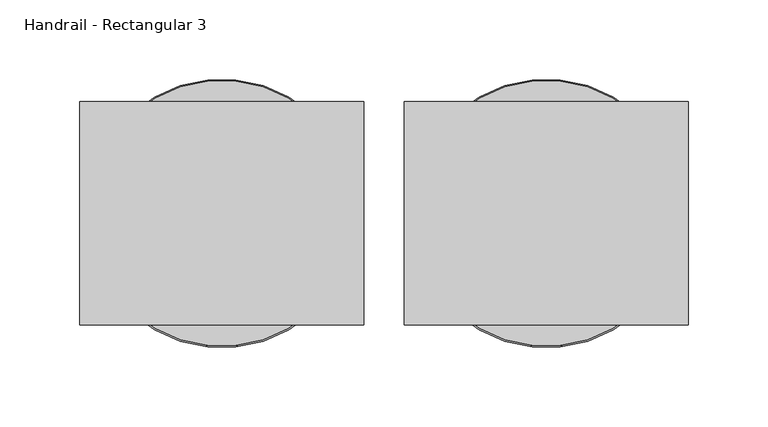
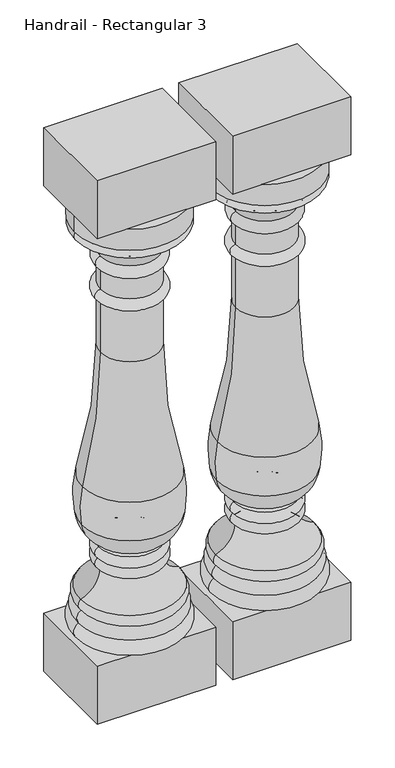
"""IFC4 building model written with IfcOpenShell, lengths in millimetres: railing geometry, Handrail - Rectangular 3."""

from ifc_helpers import new_model, si_unit, point, frame, origin, place, context, project, spatial, polyline, circle_curve, ellipse_curve, trimmed, outline, extrude, source, transform, mapped, element, save
from ifc_brep_helpers import plane_surface, cylinder_surface, revolved_surface, advanced_brep


def handrail_rectangular_3_db73cd59(model_context):
    return source(origin(), model_context, "Body", "SolidModel", [
        advanced_brep(
        [(7713.8128537, 2142.9239298, 849.3125), (7880.5003537, 2142.9239298, 849.3125), (7880.5003537, 2142.9239298, 882.65), (7713.8128537, 2142.9239298, 882.65), (7716.9878537, 2142.9239298, 849.3125), (7877.3253537, 2142.9239298, 849.3125), (7716.9878537, 2142.9239298, 835.025), (7877.3253537, 2142.9239298, 835.025), (7753.5003537, 2142.9239298, 796.925), (7840.8128537, 2142.9239298, 796.925), (7753.5003537, 2142.9239298, 777.875), (7840.8128537, 2142.9239298, 777.875), (7753.5003537, 2142.9239298, 744.5375), (7840.8128537, 2142.9239298, 744.5375), (7753.5003537, 2142.9239298, 727.075), (7840.8128537, 2142.9239298, 727.075), (7753.5003537, 2142.9239298, 644.525), (7840.8128537, 2142.9239298, 644.525), (7726.3118362, 2142.9239298, 440.2065586), (7868.0013712, 2142.9239298, 440.2065586), (7725.1214802, 2142.9239298, 379.6643134), (7869.1917272, 2142.9239298, 379.6643134), (7752.3325388, 2142.9239298, 340.8286685), (7841.9806687, 2142.9239298, 340.8286685), (7750.607257, 2142.9239298, 336.3463085), (7843.7059504, 2142.9239298, 336.3463085), (7749.5316037, 2142.9239298, 319.0875), (7844.7816037, 2142.9239298, 319.0875), (7752.7066037, 2142.9239298, 301.625), (7841.6066037, 2142.9239298, 301.625), (7723.3378537, 2142.9239298, 261.9375), (7870.9753537, 2142.9239298, 261.9375), (7724.1316037, 2142.9239298, 244.475), (7870.1816037, 2142.9239298, 244.475), (7720.1628537, 2142.9239298, 225.425), (7874.1503537, 2142.9239298, 225.425), (7716.9878537, 2142.9239298, 203.2), (7877.3253537, 2142.9239298, 203.2), (7797.1566037, 2142.9239298, 203.2), (7797.1566037, 2142.9239298, 882.65)],
        [
            (0, 1, circle_curve(frame((7797.1566037, 2142.9239298, 849.3125), z_axis=(0.0, 0.0, 1.0), x_axis=(1.0, 0.0, 0.0)), 83.34375)),
            (1, 2),
            (2, 3, circle_curve(frame((7797.1566037, 2142.9239298, 882.65), z_axis=(0.0, 0.0, -1.0), x_axis=(1.0, 0.0, 0.0)), 83.34375)),
            (3, 0),
            (1, 0, circle_curve(frame((7797.1566037, 2142.9239298, 849.3125), z_axis=(0.0, 0.0, 1.0), x_axis=(1.0, 0.0, 0.0)), 83.34375)),
            (3, 2, circle_curve(frame((7797.1566037, 2142.9239298, 882.65), z_axis=(0.0, 0.0, -1.0), x_axis=(1.0, 0.0, 0.0)), 83.34375)),
            (4, 5, circle_curve(frame((7797.1566037, 2142.9239298, 849.3125), z_axis=(0.0, 0.0, 1.0), x_axis=(1.0, 0.0, 0.0)), 80.16875)),
            (5, 1),
            (0, 4),
            (5, 4, circle_curve(frame((7797.1566037, 2142.9239298, 849.3125), z_axis=(0.0, 0.0, 1.0), x_axis=(1.0, 0.0, 0.0)), 80.16875)),
            (6, 7, circle_curve(frame((7797.1566037, 2142.9239298, 835.025), z_axis=(0.0, 0.0, 1.0), x_axis=(1.0, 0.0, 0.0)), 80.16875)),
            (7, 5, circle_curve(frame((7870.876135, 2142.9239298, 842.16875), z_axis=(0.0, -1.0, 0.0), x_axis=(1.0, 0.0, 0.0)), 9.6242187)),
            (4, 6, circle_curve(frame((7723.4370725, 2142.9239298, 842.16875), z_axis=(0.0, -1.0, 0.0), x_axis=(-1.0, 0.0, 0.0)), 9.6242187)),
            (7, 6, circle_curve(frame((7797.1566037, 2142.9239298, 835.025), z_axis=(0.0, 0.0, 1.0), x_axis=(1.0, 0.0, 0.0)), 80.16875)),
            (8, 9, circle_curve(frame((7797.1566037, 2142.9239298, 796.925), z_axis=(0.0, 0.0, 1.0), x_axis=(1.0, 0.0, 0.0)), 43.65625)),
            (9, 7, circle_curve(frame((7896.2296582, 2142.9239298, 780.362802), z_axis=(0.0, 1.0, 0.0), x_axis=(1.0, 0.0, 0.0)), 57.8388159)),
            (6, 8, circle_curve(frame((7698.0835492, 2142.9239298, 780.362802), z_axis=(0.0, 1.0, 0.0), x_axis=(-1.0, 0.0, 0.0)), 57.8388159)),
            (9, 8, circle_curve(frame((7797.1566037, 2142.9239298, 796.925), z_axis=(0.0, 0.0, 1.0), x_axis=(1.0, 0.0, 0.0)), 43.65625)),
            (10, 11, circle_curve(frame((7797.1566037, 2142.9239298, 777.875), z_axis=(0.0, 0.0, 1.0), x_axis=(1.0, 0.0, 0.0)), 43.65625)),
            (11, 9, circle_curve(frame((7839.0666037, 2142.9239298, 787.4), z_axis=(0.0, -1.0, 0.0), x_axis=(1.0, 0.0, 0.0)), 9.68375)),
            (8, 10, circle_curve(frame((7755.2466037, 2142.9239298, 787.4), z_axis=(0.0, -1.0, 0.0), x_axis=(-1.0, 0.0, 0.0)), 9.68375)),
            (11, 10, circle_curve(frame((7797.1566037, 2142.9239298, 777.875), z_axis=(0.0, 0.0, 1.0), x_axis=(1.0, 0.0, 0.0)), 43.65625)),
            (12, 13, circle_curve(frame((7797.1566037, 2142.9239298, 744.5375), z_axis=(0.0, 0.0, 1.0), x_axis=(1.0, 0.0, 0.0)), 43.65625)),
            (13, 11),
            (10, 12),
            (13, 12, circle_curve(frame((7797.1566037, 2142.9239298, 744.5375), z_axis=(0.0, 0.0, 1.0), x_axis=(1.0, 0.0, 0.0)), 43.65625)),
            (14, 15, circle_curve(frame((7797.1566037, 2142.9239298, 727.075), z_axis=(0.0, 0.0, 1.0), x_axis=(1.0, 0.0, 0.0)), 43.65625)),
            (15, 13, circle_curve(frame((7840.8128537, 2142.9239298, 735.80625), z_axis=(0.0, -1.0, 0.0), x_axis=(1.0, 0.0, 0.0)), 8.73125)),
            (12, 14, circle_curve(frame((7753.5003537, 2142.9239298, 735.80625), z_axis=(0.0, -1.0, 0.0), x_axis=(-1.0, 0.0, 0.0)), 8.73125)),
            (15, 14, circle_curve(frame((7797.1566037, 2142.9239298, 727.075), z_axis=(0.0, 0.0, 1.0), x_axis=(1.0, 0.0, 0.0)), 43.65625)),
            (16, 17, circle_curve(frame((7797.1566037, 2142.9239298, 644.525), z_axis=(0.0, 0.0, 1.0), x_axis=(1.0, 0.0, 0.0)), 43.65625)),
            (17, 15),
            (14, 16),
            (17, 16, circle_curve(frame((7797.1566037, 2142.9239298, 644.525), z_axis=(0.0, 0.0, 1.0), x_axis=(1.0, 0.0, 0.0)), 43.65625)),
            (18, 19, circle_curve(frame((7797.1566037, 2142.9239298, 440.2065586), z_axis=(0.0, 0.0, 1.0), x_axis=(1.0, 0.0, 0.0)), 70.8447675)),
            (19, 17, circle_curve(frame((8575.5896033, 2142.9239298, 638.333048), z_axis=(0.0, 1.0, 0.0), x_axis=(1.0, 0.0, 0.0)), 734.8028389)),
            (16, 18, circle_curve(frame((7018.7236041, 2142.9239298, 638.333048), z_axis=(0.0, 1.0, 0.0), x_axis=(-1.0, 0.0, 0.0)), 734.8028389)),
            (19, 18, circle_curve(frame((7797.1566037, 2142.9239298, 440.2065586), z_axis=(0.0, 0.0, 1.0), x_axis=(1.0, 0.0, 0.0)), 70.8447675)),
            (20, 21, circle_curve(frame((7797.1566037, 2142.9239298, 379.6643134), z_axis=(0.0, 0.0, 1.0), x_axis=(1.0, 0.0, 0.0)), 72.0351235)),
            (21, 19, circle_curve(frame((7710.1027491, 2142.9239298, 406.819198), z_axis=(0.0, -1.0, 0.0), x_axis=(1.0, 0.0, 0.0)), 161.3898718)),
            (18, 20, circle_curve(frame((7884.2104584, 2142.9239298, 406.819198), z_axis=(0.0, -1.0, 0.0), x_axis=(-1.0, 0.0, 0.0)), 161.3898718)),
            (21, 20, circle_curve(frame((7797.1566037, 2142.9239298, 379.6643134), z_axis=(0.0, 0.0, 1.0), x_axis=(1.0, 0.0, 0.0)), 72.0351235)),
            (22, 23, circle_curve(frame((7797.1566037, 2142.9239298, 340.8286685), z_axis=(0.0, 0.0, 1.0), x_axis=(1.0, 0.0, 0.0)), 44.8240649)),
            (23, 21, circle_curve(frame((7819.4617054, 2142.9239298, 385.5579203), z_axis=(0.0, -1.0, 0.0), x_axis=(1.0, 0.0, 0.0)), 50.0780358)),
            (20, 22, circle_curve(frame((7774.851502, 2142.9239298, 385.5579203), z_axis=(0.0, -1.0, 0.0), x_axis=(-1.0, 0.0, 0.0)), 50.0780358)),
            (23, 22, circle_curve(frame((7797.1566037, 2142.9239298, 340.8286685), z_axis=(0.0, 0.0, 1.0), x_axis=(1.0, 0.0, 0.0)), 44.8240649)),
            (24, 25, circle_curve(frame((7797.1566037, 2142.9239298, 336.3463085), z_axis=(0.0, 0.0, 1.0), x_axis=(1.0, 0.0, 0.0)), 46.5493467)),
            (25, 23, circle_curve(frame((7844.7816037, 2142.9239298, 339.3335472), z_axis=(0.0, 1.0, 0.0), x_axis=(1.0, 0.0, 0.0)), 3.175)),
            (22, 24, circle_curve(frame((7749.5316037, 2142.9239298, 339.3335472), z_axis=(0.0, 1.0, 0.0), x_axis=(-1.0, 0.0, 0.0)), 3.175)),
            (25, 24, circle_curve(frame((7797.1566037, 2142.9239298, 336.3463085), z_axis=(0.0, 0.0, 1.0), x_axis=(1.0, 0.0, 0.0)), 46.5493467)),
            (26, 27, circle_curve(frame((7797.1566037, 2142.9239298, 319.0875), z_axis=(0.0, 0.0, 1.0), x_axis=(1.0, 0.0, 0.0)), 47.625)),
            (27, 25, circle_curve(frame((7839.705239, 2142.9239298, 327.4340404), z_axis=(0.0, -1.0, 0.0), x_axis=(1.0, 0.0, 0.0)), 9.7690437)),
            (24, 26, circle_curve(frame((7754.6079685, 2142.9239298, 327.4340404), z_axis=(0.0, -1.0, 0.0), x_axis=(-1.0, 0.0, 0.0)), 9.7690437)),
            (27, 26, circle_curve(frame((7797.1566037, 2142.9239298, 319.0875), z_axis=(0.0, 0.0, 1.0), x_axis=(1.0, 0.0, 0.0)), 47.625)),
            (28, 29, circle_curve(frame((7797.1566037, 2142.9239298, 301.625), z_axis=(0.0, 0.0, 1.0), x_axis=(1.0, 0.0, 0.0)), 44.45)),
            (29, 27, circle_curve(frame((7840.1679318, 2142.9239298, 310.9064631), z_axis=(0.0, -1.0, 0.0), x_axis=(1.0, 0.0, 0.0)), 9.3923018)),
            (26, 28, circle_curve(frame((7754.1452756, 2142.9239298, 310.9064631), z_axis=(0.0, -1.0, 0.0), x_axis=(-1.0, 0.0, 0.0)), 9.3923018)),
            (29, 28, circle_curve(frame((7797.1566037, 2142.9239298, 301.625), z_axis=(0.0, 0.0, 1.0), x_axis=(1.0, 0.0, 0.0)), 44.45)),
            (30, 31, circle_curve(frame((7797.1566037, 2142.9239298, 261.9375), z_axis=(0.0, 0.0, 1.0), x_axis=(1.0, 0.0, 0.0)), 73.81875)),
            (31, 29, circle_curve(frame((7883.1068571, 2142.9239298, 301.625), z_axis=(0.0, 1.0, 0.0), x_axis=(1.0, 0.0, 0.0)), 41.5002534)),
            (28, 30, circle_curve(frame((7711.2063503, 2142.9239298, 301.625), z_axis=(0.0, 1.0, 0.0), x_axis=(-1.0, 0.0, 0.0)), 41.5002534)),
            (31, 30, circle_curve(frame((7797.1566037, 2142.9239298, 261.9375), z_axis=(0.0, 0.0, 1.0), x_axis=(1.0, 0.0, 0.0)), 73.81875)),
            (32, 33, circle_curve(frame((7797.1566037, 2142.9239298, 244.475), z_axis=(0.0, 0.0, 1.0), x_axis=(1.0, 0.0, 0.0)), 73.025)),
            (33, 31, circle_curve(frame((7861.6708398, 2142.9239298, 253.6111427), z_axis=(0.0, -1.0, 0.0), x_axis=(1.0, 0.0, 0.0)), 12.4860804)),
            (30, 32, circle_curve(frame((7732.6423676, 2142.9239298, 253.6111427), z_axis=(0.0, -1.0, 0.0), x_axis=(-1.0, 0.0, 0.0)), 12.4860804)),
            (33, 32, circle_curve(frame((7797.1566037, 2142.9239298, 244.475), z_axis=(0.0, 0.0, 1.0), x_axis=(1.0, 0.0, 0.0)), 73.025)),
            (34, 35, circle_curve(frame((7797.1566037, 2142.9239298, 225.425), z_axis=(0.0, 0.0, 1.0), x_axis=(1.0, 0.0, 0.0)), 76.99375)),
            (35, 33, circle_curve(frame((7863.5068878, 2142.9239298, 233.1460227), z_axis=(0.0, -1.0, 0.0), x_axis=(1.0, 0.0, 0.0)), 13.1490516)),
            (32, 34, circle_curve(frame((7730.8063196, 2142.9239298, 233.1460227), z_axis=(0.0, -1.0, 0.0), x_axis=(-1.0, 0.0, 0.0)), 13.1490516)),
            (35, 34, circle_curve(frame((7797.1566037, 2142.9239298, 225.425), z_axis=(0.0, 0.0, 1.0), x_axis=(1.0, 0.0, 0.0)), 76.99375)),
            (36, 37, circle_curve(frame((7797.1566037, 2142.9239298, 203.2), z_axis=(0.0, 0.0, 1.0), x_axis=(1.0, 0.0, 0.0)), 80.16875)),
            (37, 35, circle_curve(frame((7867.176693, 2142.9239298, 213.089477), z_axis=(0.0, -1.0, 0.0), x_axis=(1.0, 0.0, 0.0)), 14.1702883)),
            (34, 36, circle_curve(frame((7727.1365144, 2142.9239298, 213.089477), z_axis=(0.0, -1.0, 0.0), x_axis=(-1.0, 0.0, 0.0)), 14.1702883)),
            (37, 36, circle_curve(frame((7797.1566037, 2142.9239298, 203.2), z_axis=(0.0, 0.0, 1.0), x_axis=(1.0, 0.0, 0.0)), 80.16875)),
            (38, 37),
            (36, 38),
            (2, 39),
            (39, 3),
        ],
        [
            cylinder_surface(frame((7797.1566037, 2142.9239298, 831.85), z_axis=(0.0, 0.0, -1.0), x_axis=(1.0, 0.0, 0.0)), 83.34375),
            plane_surface(frame((7797.1566037, 2142.9239298, 849.3125), z_axis=(0.0, 0.0, -1.0), x_axis=(1.0, 0.0, 0.0))),
            revolved_surface(trimmed(ellipse_curve(frame((7870.876135, 2142.9239298, 842.16875), z_axis=(0.0, 1.0, 0.0), x_axis=(1.0, 0.0, 0.0)), 9.6242187, 9.6242187), [point((7877.3253537, 2142.9239298, 849.3125))], [point((7877.3253537, 2142.9239298, 835.025))], True, "CARTESIAN"), (7797.1566037, 2142.9239298, 831.85), (0.0, 0.0, -1.0)),
            revolved_surface(trimmed(ellipse_curve(frame((7896.2296582, 2142.9239298, 780.362802), z_axis=(0.0, -1.0, 0.0), x_axis=(1.0, 0.0, 0.0)), 57.8388159, 57.8388159), [point((7877.3253537, 2142.9239298, 835.025))], [point((7840.8128537, 2142.9239298, 796.925))], True, "CARTESIAN"), (7797.1566037, 2142.9239298, 831.85), (0.0, 0.0, -1.0)),
            revolved_surface(trimmed(ellipse_curve(frame((7839.0666037, 2142.9239298, 787.4), z_axis=(0.0, 1.0, 0.0), x_axis=(1.0, 0.0, 0.0)), 9.68375, 9.68375), [point((7840.8128537, 2142.9239298, 796.925))], [point((7840.8128537, 2142.9239298, 777.875))], True, "CARTESIAN"), (7797.1566037, 2142.9239298, 831.85), (0.0, 0.0, -1.0)),
            cylinder_surface(frame((7797.1566037, 2142.9239298, 831.85), z_axis=(0.0, 0.0, -1.0), x_axis=(1.0, 0.0, 0.0)), 43.65625),
            revolved_surface(trimmed(ellipse_curve(frame((7840.8128537, 2142.9239298, 735.80625), z_axis=(0.0, 1.0, 0.0), x_axis=(1.0, 0.0, 0.0)), 8.73125, 8.73125), [point((7840.8128537, 2142.9239298, 744.5375))], [point((7840.8128537, 2142.9239298, 727.075))], True, "CARTESIAN"), (7797.1566037, 2142.9239298, 831.85), (0.0, 0.0, -1.0)),
            revolved_surface(trimmed(ellipse_curve(frame((8575.5896033, 2142.9239298, 638.333048), z_axis=(0.0, -1.0, 0.0), x_axis=(1.0, 0.0, 0.0)), 734.8028389, 734.8028389), [point((7840.8128537, 2142.9239298, 644.525))], [point((7868.0013712, 2142.9239298, 440.2065586))], True, "CARTESIAN"), (7797.1566037, 2142.9239298, 831.85), (0.0, 0.0, -1.0)),
            revolved_surface(trimmed(ellipse_curve(frame((7710.1027491, 2142.9239298, 406.819198), z_axis=(0.0, 1.0, 0.0), x_axis=(1.0, 0.0, 0.0)), 161.3898718, 161.3898718), [point((7868.0013712, 2142.9239298, 440.2065586))], [point((7869.1917272, 2142.9239298, 379.6643134))], True, "CARTESIAN"), (7797.1566037, 2142.9239298, 831.85), (0.0, 0.0, -1.0)),
            revolved_surface(trimmed(ellipse_curve(frame((7819.4617054, 2142.9239298, 385.5579203), z_axis=(0.0, 1.0, 0.0), x_axis=(1.0, 0.0, 0.0)), 50.0780358, 50.0780358), [point((7869.1917272, 2142.9239298, 379.6643134))], [point((7841.9806687, 2142.9239298, 340.8286685))], True, "CARTESIAN"), (7797.1566037, 2142.9239298, 831.85), (0.0, 0.0, -1.0)),
            revolved_surface(trimmed(ellipse_curve(frame((7844.7816037, 2142.9239298, 339.3335472), z_axis=(0.0, -1.0, 0.0), x_axis=(1.0, 0.0, 0.0)), 3.175, 3.175), [point((7841.9806687, 2142.9239298, 340.8286685))], [point((7843.7059504, 2142.9239298, 336.3463085))], True, "CARTESIAN"), (7797.1566037, 2142.9239298, 831.85), (0.0, 0.0, -1.0)),
            revolved_surface(trimmed(ellipse_curve(frame((7839.705239, 2142.9239298, 327.4340404), z_axis=(0.0, 1.0, 0.0), x_axis=(1.0, 0.0, 0.0)), 9.7690437, 9.7690437), [point((7843.7059504, 2142.9239298, 336.3463085))], [point((7844.7816037, 2142.9239298, 319.0875))], True, "CARTESIAN"), (7797.1566037, 2142.9239298, 831.85), (0.0, 0.0, -1.0)),
            revolved_surface(trimmed(ellipse_curve(frame((7840.1679318, 2142.9239298, 310.9064631), z_axis=(0.0, 1.0, 0.0), x_axis=(1.0, 0.0, 0.0)), 9.3923018, 9.3923018), [point((7844.7816037, 2142.9239298, 319.0875))], [point((7841.6066037, 2142.9239298, 301.625))], True, "CARTESIAN"), (7797.1566037, 2142.9239298, 831.85), (0.0, 0.0, -1.0)),
            revolved_surface(trimmed(ellipse_curve(frame((7883.1068571, 2142.9239298, 301.625), z_axis=(0.0, -1.0, 0.0), x_axis=(1.0, 0.0, 0.0)), 41.5002534, 41.5002534), [point((7841.6066037, 2142.9239298, 301.625))], [point((7870.9753537, 2142.9239298, 261.9375))], True, "CARTESIAN"), (7797.1566037, 2142.9239298, 831.85), (0.0, 0.0, -1.0)),
            revolved_surface(trimmed(ellipse_curve(frame((7861.6708398, 2142.9239298, 253.6111427), z_axis=(0.0, 1.0, 0.0), x_axis=(1.0, 0.0, 0.0)), 12.4860804, 12.4860804), [point((7870.9753537, 2142.9239298, 261.9375))], [point((7870.1816037, 2142.9239298, 244.475))], True, "CARTESIAN"), (7797.1566037, 2142.9239298, 831.85), (0.0, 0.0, -1.0)),
            revolved_surface(trimmed(ellipse_curve(frame((7863.5068878, 2142.9239298, 233.1460227), z_axis=(0.0, 1.0, 0.0), x_axis=(1.0, 0.0, 0.0)), 13.1490516, 13.1490516), [point((7870.1816037, 2142.9239298, 244.475))], [point((7874.1503537, 2142.9239298, 225.425))], True, "CARTESIAN"), (7797.1566037, 2142.9239298, 831.85), (0.0, 0.0, -1.0)),
            revolved_surface(trimmed(ellipse_curve(frame((7867.176693, 2142.9239298, 213.089477), z_axis=(0.0, 1.0, 0.0), x_axis=(1.0, 0.0, 0.0)), 14.1702883, 14.1702883), [point((7874.1503537, 2142.9239298, 225.425))], [point((7877.3253537, 2142.9239298, 203.2))], True, "CARTESIAN"), (7797.1566037, 2142.9239298, 831.85), (0.0, 0.0, -1.0)),
            plane_surface(frame((7797.1566037, 2142.9239298, 203.2), z_axis=(0.0, 0.0, -1.0), x_axis=(1.0, 0.0, 0.0))),
            plane_surface(frame((7797.1566037, 2142.9239298, 882.65), z_axis=(0.0, 0.0, 1.0), x_axis=(1.0, 0.0, 0.0))),
        ],
        [
            (0, [[1, 2, 3, 4]]),
            (0, [[5, -4, 6, -2]]),
            (1, [[7, 8, -1, 9]]),
            (1, [[10, -9, -5, -8]]),
            (2, [[11, 12, -7, 13]]),
            (2, [[14, -13, -10, -12]]),
            (3, [[15, 16, -11, 17]]),
            (3, [[18, -17, -14, -16]]),
            (4, [[19, 20, -15, 21]]),
            (4, [[22, -21, -18, -20]]),
            (5, [[23, 24, -19, 25]]),
            (5, [[26, -25, -22, -24]]),
            (6, [[27, 28, -23, 29]]),
            (6, [[30, -29, -26, -28]]),
            (5, [[31, 32, -27, 33]]),
            (5, [[34, -33, -30, -32]]),
            (7, [[35, 36, -31, 37]]),
            (7, [[38, -37, -34, -36]]),
            (8, [[39, 40, -35, 41]]),
            (8, [[42, -41, -38, -40]]),
            (9, [[43, 44, -39, 45]]),
            (9, [[46, -45, -42, -44]]),
            (10, [[47, 48, -43, 49]]),
            (10, [[50, -49, -46, -48]]),
            (11, [[51, 52, -47, 53]]),
            (11, [[54, -53, -50, -52]]),
            (12, [[55, 56, -51, 57]]),
            (12, [[58, -57, -54, -56]]),
            (13, [[59, 60, -55, 61]]),
            (13, [[62, -61, -58, -60]]),
            (14, [[63, 64, -59, 65]]),
            (14, [[66, -65, -62, -64]]),
            (15, [[67, 68, -63, 69]]),
            (15, [[70, -69, -66, -68]]),
            (16, [[71, 72, -67, 73]]),
            (16, [[74, -73, -70, -72]]),
            (17, [[75, -71, 76]]),
            (17, [[-76, -74, -75]]),
            (18, [[-3, 77, 78]]),
            (18, [[-6, -78, -77]]),
        ],
    ),
        extrude(outline(polyline([(7708.2566037, 2073.0739298), (7708.2566037, 2212.7739298), (7886.0566037, 2212.7739298), (7886.0566037, 2073.0739298), (7708.2566037, 2073.0739298)])), frame((0.0, 0.0, 111.125), z_axis=(0.0, 0.0, 1.0), x_axis=(1.0, 0.0, 0.0)), (0.0, 0.0, 1.0), 92.075),
        extrude(outline(polyline([(7708.2566037, 2212.7739298), (7886.0566037, 2212.7739298), (7886.0566037, 2073.0739298), (7708.2566037, 2073.0739298), (7708.2566037, 2212.7739298)])), frame((0.0, 0.0, 882.65), z_axis=(0.0, 0.0, 1.0), x_axis=(1.0, 0.0, 0.0)), (0.0, 0.0, 1.0), 92.075),
        advanced_brep(
        [(7510.6128537, 2142.9239298, 849.3125), (7677.3003537, 2142.9239298, 849.3125), (7677.3003537, 2142.9239298, 882.65), (7510.6128537, 2142.9239298, 882.65), (7513.7878537, 2142.9239298, 849.3125), (7674.1253537, 2142.9239298, 849.3125), (7513.7878537, 2142.9239298, 835.025), (7674.1253537, 2142.9239298, 835.025), (7550.3003537, 2142.9239298, 796.925), (7637.6128537, 2142.9239298, 796.925), (7550.3003537, 2142.9239298, 777.875), (7637.6128537, 2142.9239298, 777.875), (7550.3003537, 2142.9239298, 744.5375), (7637.6128537, 2142.9239298, 744.5375), (7550.3003537, 2142.9239298, 727.075), (7637.6128537, 2142.9239298, 727.075), (7550.3003537, 2142.9239298, 644.525), (7637.6128537, 2142.9239298, 644.525), (7523.1118362, 2142.9239298, 440.2065586), (7664.8013712, 2142.9239298, 440.2065586), (7521.9214802, 2142.9239298, 379.6643134), (7665.9917272, 2142.9239298, 379.6643134), (7549.1325388, 2142.9239298, 340.8286685), (7638.7806687, 2142.9239298, 340.8286685), (7547.407257, 2142.9239298, 336.3463085), (7640.5059504, 2142.9239298, 336.3463085), (7546.3316037, 2142.9239298, 319.0875), (7641.5816037, 2142.9239298, 319.0875), (7549.5066037, 2142.9239298, 301.625), (7638.4066037, 2142.9239298, 301.625), (7520.1378537, 2142.9239298, 261.9375), (7667.7753537, 2142.9239298, 261.9375), (7520.9316037, 2142.9239298, 244.475), (7666.9816037, 2142.9239298, 244.475), (7516.9628537, 2142.9239298, 225.425), (7670.9503537, 2142.9239298, 225.425), (7513.7878537, 2142.9239298, 203.2), (7674.1253537, 2142.9239298, 203.2), (7593.9566037, 2142.9239298, 203.2), (7593.9566037, 2142.9239298, 882.65)],
        [
            (0, 1, circle_curve(frame((7593.9566037, 2142.9239298, 849.3125), z_axis=(0.0, 0.0, 1.0), x_axis=(1.0, 0.0, 0.0)), 83.34375)),
            (1, 2),
            (2, 3, circle_curve(frame((7593.9566037, 2142.9239298, 882.65), z_axis=(0.0, 0.0, -1.0), x_axis=(1.0, 0.0, 0.0)), 83.34375)),
            (3, 0),
            (1, 0, circle_curve(frame((7593.9566037, 2142.9239298, 849.3125), z_axis=(0.0, 0.0, 1.0), x_axis=(1.0, 0.0, 0.0)), 83.34375)),
            (3, 2, circle_curve(frame((7593.9566037, 2142.9239298, 882.65), z_axis=(0.0, 0.0, -1.0), x_axis=(1.0, 0.0, 0.0)), 83.34375)),
            (4, 5, circle_curve(frame((7593.9566037, 2142.9239298, 849.3125), z_axis=(0.0, 0.0, 1.0), x_axis=(1.0, 0.0, 0.0)), 80.16875)),
            (5, 1),
            (0, 4),
            (5, 4, circle_curve(frame((7593.9566037, 2142.9239298, 849.3125), z_axis=(0.0, 0.0, 1.0), x_axis=(1.0, 0.0, 0.0)), 80.16875)),
            (6, 7, circle_curve(frame((7593.9566037, 2142.9239298, 835.025), z_axis=(0.0, 0.0, 1.0), x_axis=(1.0, 0.0, 0.0)), 80.16875)),
            (7, 5, circle_curve(frame((7667.676135, 2142.9239298, 842.16875), z_axis=(0.0, -1.0, 0.0), x_axis=(1.0, 0.0, 0.0)), 9.6242187)),
            (4, 6, circle_curve(frame((7520.2370725, 2142.9239298, 842.16875), z_axis=(0.0, -1.0, 0.0), x_axis=(-1.0, 0.0, 0.0)), 9.6242187)),
            (7, 6, circle_curve(frame((7593.9566037, 2142.9239298, 835.025), z_axis=(0.0, 0.0, 1.0), x_axis=(1.0, 0.0, 0.0)), 80.16875)),
            (8, 9, circle_curve(frame((7593.9566037, 2142.9239298, 796.925), z_axis=(0.0, 0.0, 1.0), x_axis=(1.0, 0.0, 0.0)), 43.65625)),
            (9, 7, circle_curve(frame((7693.0296582, 2142.9239298, 780.362802), z_axis=(0.0, 1.0, 0.0), x_axis=(1.0, 0.0, 0.0)), 57.8388159)),
            (6, 8, circle_curve(frame((7494.8835492, 2142.9239298, 780.362802), z_axis=(0.0, 1.0, 0.0), x_axis=(-1.0, 0.0, 0.0)), 57.8388159)),
            (9, 8, circle_curve(frame((7593.9566037, 2142.9239298, 796.925), z_axis=(0.0, 0.0, 1.0), x_axis=(1.0, 0.0, 0.0)), 43.65625)),
            (10, 11, circle_curve(frame((7593.9566037, 2142.9239298, 777.875), z_axis=(0.0, 0.0, 1.0), x_axis=(1.0, 0.0, 0.0)), 43.65625)),
            (11, 9, circle_curve(frame((7635.8666037, 2142.9239298, 787.4), z_axis=(0.0, -1.0, 0.0), x_axis=(1.0, 0.0, 0.0)), 9.68375)),
            (8, 10, circle_curve(frame((7552.0466037, 2142.9239298, 787.4), z_axis=(0.0, -1.0, 0.0), x_axis=(-1.0, 0.0, 0.0)), 9.68375)),
            (11, 10, circle_curve(frame((7593.9566037, 2142.9239298, 777.875), z_axis=(0.0, 0.0, 1.0), x_axis=(1.0, 0.0, 0.0)), 43.65625)),
            (12, 13, circle_curve(frame((7593.9566037, 2142.9239298, 744.5375), z_axis=(0.0, 0.0, 1.0), x_axis=(1.0, 0.0, 0.0)), 43.65625)),
            (13, 11),
            (10, 12),
            (13, 12, circle_curve(frame((7593.9566037, 2142.9239298, 744.5375), z_axis=(0.0, 0.0, 1.0), x_axis=(1.0, 0.0, 0.0)), 43.65625)),
            (14, 15, circle_curve(frame((7593.9566037, 2142.9239298, 727.075), z_axis=(0.0, 0.0, 1.0), x_axis=(1.0, 0.0, 0.0)), 43.65625)),
            (15, 13, circle_curve(frame((7637.6128537, 2142.9239298, 735.80625), z_axis=(0.0, -1.0, 0.0), x_axis=(1.0, 0.0, 0.0)), 8.73125)),
            (12, 14, circle_curve(frame((7550.3003537, 2142.9239298, 735.80625), z_axis=(0.0, -1.0, 0.0), x_axis=(-1.0, 0.0, 0.0)), 8.73125)),
            (15, 14, circle_curve(frame((7593.9566037, 2142.9239298, 727.075), z_axis=(0.0, 0.0, 1.0), x_axis=(1.0, 0.0, 0.0)), 43.65625)),
            (16, 17, circle_curve(frame((7593.9566037, 2142.9239298, 644.525), z_axis=(0.0, 0.0, 1.0), x_axis=(1.0, 0.0, 0.0)), 43.65625)),
            (17, 15),
            (14, 16),
            (17, 16, circle_curve(frame((7593.9566037, 2142.9239298, 644.525), z_axis=(0.0, 0.0, 1.0), x_axis=(1.0, 0.0, 0.0)), 43.65625)),
            (18, 19, circle_curve(frame((7593.9566037, 2142.9239298, 440.2065586), z_axis=(0.0, 0.0, 1.0), x_axis=(1.0, 0.0, 0.0)), 70.8447675)),
            (19, 17, circle_curve(frame((8372.3896033, 2142.9239298, 638.333048), z_axis=(0.0, 1.0, 0.0), x_axis=(1.0, 0.0, 0.0)), 734.8028389)),
            (16, 18, circle_curve(frame((6815.5236041, 2142.9239298, 638.333048), z_axis=(0.0, 1.0, 0.0), x_axis=(-1.0, 0.0, 0.0)), 734.8028389)),
            (19, 18, circle_curve(frame((7593.9566037, 2142.9239298, 440.2065586), z_axis=(0.0, 0.0, 1.0), x_axis=(1.0, 0.0, 0.0)), 70.8447675)),
            (20, 21, circle_curve(frame((7593.9566037, 2142.9239298, 379.6643134), z_axis=(0.0, 0.0, 1.0), x_axis=(1.0, 0.0, 0.0)), 72.0351235)),
            (21, 19, circle_curve(frame((7506.9027491, 2142.9239298, 406.819198), z_axis=(0.0, -1.0, 0.0), x_axis=(1.0, 0.0, 0.0)), 161.3898718)),
            (18, 20, circle_curve(frame((7681.0104584, 2142.9239298, 406.819198), z_axis=(0.0, -1.0, 0.0), x_axis=(-1.0, 0.0, 0.0)), 161.3898718)),
            (21, 20, circle_curve(frame((7593.9566037, 2142.9239298, 379.6643134), z_axis=(0.0, 0.0, 1.0), x_axis=(1.0, 0.0, 0.0)), 72.0351235)),
            (22, 23, circle_curve(frame((7593.9566037, 2142.9239298, 340.8286685), z_axis=(0.0, 0.0, 1.0), x_axis=(1.0, 0.0, 0.0)), 44.8240649)),
            (23, 21, circle_curve(frame((7616.2617054, 2142.9239298, 385.5579203), z_axis=(0.0, -1.0, 0.0), x_axis=(1.0, 0.0, 0.0)), 50.0780358)),
            (20, 22, circle_curve(frame((7571.651502, 2142.9239298, 385.5579203), z_axis=(0.0, -1.0, 0.0), x_axis=(-1.0, 0.0, 0.0)), 50.0780358)),
            (23, 22, circle_curve(frame((7593.9566037, 2142.9239298, 340.8286685), z_axis=(0.0, 0.0, 1.0), x_axis=(1.0, 0.0, 0.0)), 44.8240649)),
            (24, 25, circle_curve(frame((7593.9566037, 2142.9239298, 336.3463085), z_axis=(0.0, 0.0, 1.0), x_axis=(1.0, 0.0, 0.0)), 46.5493467)),
            (25, 23, circle_curve(frame((7641.5816037, 2142.9239298, 339.3335472), z_axis=(0.0, 1.0, 0.0), x_axis=(1.0, 0.0, 0.0)), 3.175)),
            (22, 24, circle_curve(frame((7546.3316037, 2142.9239298, 339.3335472), z_axis=(0.0, 1.0, 0.0), x_axis=(-1.0, 0.0, 0.0)), 3.175)),
            (25, 24, circle_curve(frame((7593.9566037, 2142.9239298, 336.3463085), z_axis=(0.0, 0.0, 1.0), x_axis=(1.0, 0.0, 0.0)), 46.5493467)),
            (26, 27, circle_curve(frame((7593.9566037, 2142.9239298, 319.0875), z_axis=(0.0, 0.0, 1.0), x_axis=(1.0, 0.0, 0.0)), 47.625)),
            (27, 25, circle_curve(frame((7636.505239, 2142.9239298, 327.4340404), z_axis=(0.0, -1.0, 0.0), x_axis=(1.0, 0.0, 0.0)), 9.7690437)),
            (24, 26, circle_curve(frame((7551.4079685, 2142.9239298, 327.4340404), z_axis=(0.0, -1.0, 0.0), x_axis=(-1.0, 0.0, 0.0)), 9.7690437)),
            (27, 26, circle_curve(frame((7593.9566037, 2142.9239298, 319.0875), z_axis=(0.0, 0.0, 1.0), x_axis=(1.0, 0.0, 0.0)), 47.625)),
            (28, 29, circle_curve(frame((7593.9566037, 2142.9239298, 301.625), z_axis=(0.0, 0.0, 1.0), x_axis=(1.0, 0.0, 0.0)), 44.45)),
            (29, 27, circle_curve(frame((7636.9679318, 2142.9239298, 310.9064631), z_axis=(0.0, -1.0, 0.0), x_axis=(1.0, 0.0, 0.0)), 9.3923018)),
            (26, 28, circle_curve(frame((7550.9452756, 2142.9239298, 310.9064631), z_axis=(0.0, -1.0, 0.0), x_axis=(-1.0, 0.0, 0.0)), 9.3923018)),
            (29, 28, circle_curve(frame((7593.9566037, 2142.9239298, 301.625), z_axis=(0.0, 0.0, 1.0), x_axis=(1.0, 0.0, 0.0)), 44.45)),
            (30, 31, circle_curve(frame((7593.9566037, 2142.9239298, 261.9375), z_axis=(0.0, 0.0, 1.0), x_axis=(1.0, 0.0, 0.0)), 73.81875)),
            (31, 29, circle_curve(frame((7679.9068571, 2142.9239298, 301.625), z_axis=(0.0, 1.0, 0.0), x_axis=(1.0, 0.0, 0.0)), 41.5002534)),
            (28, 30, circle_curve(frame((7508.0063503, 2142.9239298, 301.625), z_axis=(0.0, 1.0, 0.0), x_axis=(-1.0, 0.0, 0.0)), 41.5002534)),
            (31, 30, circle_curve(frame((7593.9566037, 2142.9239298, 261.9375), z_axis=(0.0, 0.0, 1.0), x_axis=(1.0, 0.0, 0.0)), 73.81875)),
            (32, 33, circle_curve(frame((7593.9566037, 2142.9239298, 244.475), z_axis=(0.0, 0.0, 1.0), x_axis=(1.0, 0.0, 0.0)), 73.025)),
            (33, 31, circle_curve(frame((7658.4708398, 2142.9239298, 253.6111427), z_axis=(0.0, -1.0, 0.0), x_axis=(1.0, 0.0, 0.0)), 12.4860804)),
            (30, 32, circle_curve(frame((7529.4423676, 2142.9239298, 253.6111427), z_axis=(0.0, -1.0, 0.0), x_axis=(-1.0, 0.0, 0.0)), 12.4860804)),
            (33, 32, circle_curve(frame((7593.9566037, 2142.9239298, 244.475), z_axis=(0.0, 0.0, 1.0), x_axis=(1.0, 0.0, 0.0)), 73.025)),
            (34, 35, circle_curve(frame((7593.9566037, 2142.9239298, 225.425), z_axis=(0.0, 0.0, 1.0), x_axis=(1.0, 0.0, 0.0)), 76.99375)),
            (35, 33, circle_curve(frame((7660.3068878, 2142.9239298, 233.1460227), z_axis=(0.0, -1.0, 0.0), x_axis=(1.0, 0.0, 0.0)), 13.1490516)),
            (32, 34, circle_curve(frame((7527.6063196, 2142.9239298, 233.1460227), z_axis=(0.0, -1.0, 0.0), x_axis=(-1.0, 0.0, 0.0)), 13.1490516)),
            (35, 34, circle_curve(frame((7593.9566037, 2142.9239298, 225.425), z_axis=(0.0, 0.0, 1.0), x_axis=(1.0, 0.0, 0.0)), 76.99375)),
            (36, 37, circle_curve(frame((7593.9566037, 2142.9239298, 203.2), z_axis=(0.0, 0.0, 1.0), x_axis=(1.0, 0.0, 0.0)), 80.16875)),
            (37, 35, circle_curve(frame((7663.976693, 2142.9239298, 213.089477), z_axis=(0.0, -1.0, 0.0), x_axis=(1.0, 0.0, 0.0)), 14.1702883)),
            (34, 36, circle_curve(frame((7523.9365144, 2142.9239298, 213.089477), z_axis=(0.0, -1.0, 0.0), x_axis=(-1.0, 0.0, 0.0)), 14.1702883)),
            (37, 36, circle_curve(frame((7593.9566037, 2142.9239298, 203.2), z_axis=(0.0, 0.0, 1.0), x_axis=(1.0, 0.0, 0.0)), 80.16875)),
            (38, 37),
            (36, 38),
            (2, 39),
            (39, 3),
        ],
        [
            cylinder_surface(frame((7593.9566037, 2142.9239298, 831.85), z_axis=(0.0, 0.0, -1.0), x_axis=(1.0, 0.0, 0.0)), 83.34375),
            plane_surface(frame((7593.9566037, 2142.9239298, 849.3125), z_axis=(0.0, 0.0, -1.0), x_axis=(1.0, 0.0, 0.0))),
            revolved_surface(trimmed(ellipse_curve(frame((7667.676135, 2142.9239298, 842.16875), z_axis=(0.0, 1.0, 0.0), x_axis=(1.0, 0.0, 0.0)), 9.6242187, 9.6242187), [point((7674.1253537, 2142.9239298, 849.3125))], [point((7674.1253537, 2142.9239298, 835.025))], True, "CARTESIAN"), (7593.9566037, 2142.9239298, 831.85), (0.0, 0.0, -1.0)),
            revolved_surface(trimmed(ellipse_curve(frame((7693.0296582, 2142.9239298, 780.362802), z_axis=(0.0, -1.0, 0.0), x_axis=(1.0, 0.0, 0.0)), 57.8388159, 57.8388159), [point((7674.1253537, 2142.9239298, 835.025))], [point((7637.6128537, 2142.9239298, 796.925))], True, "CARTESIAN"), (7593.9566037, 2142.9239298, 831.85), (0.0, 0.0, -1.0)),
            revolved_surface(trimmed(ellipse_curve(frame((7635.8666037, 2142.9239298, 787.4), z_axis=(0.0, 1.0, 0.0), x_axis=(1.0, 0.0, 0.0)), 9.68375, 9.68375), [point((7637.6128537, 2142.9239298, 796.925))], [point((7637.6128537, 2142.9239298, 777.875))], True, "CARTESIAN"), (7593.9566037, 2142.9239298, 831.85), (0.0, 0.0, -1.0)),
            cylinder_surface(frame((7593.9566037, 2142.9239298, 831.85), z_axis=(0.0, 0.0, -1.0), x_axis=(1.0, 0.0, 0.0)), 43.65625),
            revolved_surface(trimmed(ellipse_curve(frame((7637.6128537, 2142.9239298, 735.80625), z_axis=(0.0, 1.0, 0.0), x_axis=(1.0, 0.0, 0.0)), 8.73125, 8.73125), [point((7637.6128537, 2142.9239298, 744.5375))], [point((7637.6128537, 2142.9239298, 727.075))], True, "CARTESIAN"), (7593.9566037, 2142.9239298, 831.85), (0.0, 0.0, -1.0)),
            revolved_surface(trimmed(ellipse_curve(frame((8372.3896033, 2142.9239298, 638.333048), z_axis=(0.0, -1.0, 0.0), x_axis=(1.0, 0.0, 0.0)), 734.8028389, 734.8028389), [point((7637.6128537, 2142.9239298, 644.525))], [point((7664.8013712, 2142.9239298, 440.2065586))], True, "CARTESIAN"), (7593.9566037, 2142.9239298, 831.85), (0.0, 0.0, -1.0)),
            revolved_surface(trimmed(ellipse_curve(frame((7506.9027491, 2142.9239298, 406.819198), z_axis=(0.0, 1.0, 0.0), x_axis=(1.0, 0.0, 0.0)), 161.3898718, 161.3898718), [point((7664.8013712, 2142.9239298, 440.2065586))], [point((7665.9917272, 2142.9239298, 379.6643134))], True, "CARTESIAN"), (7593.9566037, 2142.9239298, 831.85), (0.0, 0.0, -1.0)),
            revolved_surface(trimmed(ellipse_curve(frame((7616.2617054, 2142.9239298, 385.5579203), z_axis=(0.0, 1.0, 0.0), x_axis=(1.0, 0.0, 0.0)), 50.0780358, 50.0780358), [point((7665.9917272, 2142.9239298, 379.6643134))], [point((7638.7806687, 2142.9239298, 340.8286685))], True, "CARTESIAN"), (7593.9566037, 2142.9239298, 831.85), (0.0, 0.0, -1.0)),
            revolved_surface(trimmed(ellipse_curve(frame((7641.5816037, 2142.9239298, 339.3335472), z_axis=(0.0, -1.0, 0.0), x_axis=(1.0, 0.0, 0.0)), 3.175, 3.175), [point((7638.7806687, 2142.9239298, 340.8286685))], [point((7640.5059504, 2142.9239298, 336.3463085))], True, "CARTESIAN"), (7593.9566037, 2142.9239298, 831.85), (0.0, 0.0, -1.0)),
            revolved_surface(trimmed(ellipse_curve(frame((7636.505239, 2142.9239298, 327.4340404), z_axis=(0.0, 1.0, 0.0), x_axis=(1.0, 0.0, 0.0)), 9.7690437, 9.7690437), [point((7640.5059504, 2142.9239298, 336.3463085))], [point((7641.5816037, 2142.9239298, 319.0875))], True, "CARTESIAN"), (7593.9566037, 2142.9239298, 831.85), (0.0, 0.0, -1.0)),
            revolved_surface(trimmed(ellipse_curve(frame((7636.9679318, 2142.9239298, 310.9064631), z_axis=(0.0, 1.0, 0.0), x_axis=(1.0, 0.0, 0.0)), 9.3923018, 9.3923018), [point((7641.5816037, 2142.9239298, 319.0875))], [point((7638.4066037, 2142.9239298, 301.625))], True, "CARTESIAN"), (7593.9566037, 2142.9239298, 831.85), (0.0, 0.0, -1.0)),
            revolved_surface(trimmed(ellipse_curve(frame((7679.9068571, 2142.9239298, 301.625), z_axis=(0.0, -1.0, 0.0), x_axis=(1.0, 0.0, 0.0)), 41.5002534, 41.5002534), [point((7638.4066037, 2142.9239298, 301.625))], [point((7667.7753537, 2142.9239298, 261.9375))], True, "CARTESIAN"), (7593.9566037, 2142.9239298, 831.85), (0.0, 0.0, -1.0)),
            revolved_surface(trimmed(ellipse_curve(frame((7658.4708398, 2142.9239298, 253.6111427), z_axis=(0.0, 1.0, 0.0), x_axis=(1.0, 0.0, 0.0)), 12.4860804, 12.4860804), [point((7667.7753537, 2142.9239298, 261.9375))], [point((7666.9816037, 2142.9239298, 244.475))], True, "CARTESIAN"), (7593.9566037, 2142.9239298, 831.85), (0.0, 0.0, -1.0)),
            revolved_surface(trimmed(ellipse_curve(frame((7660.3068878, 2142.9239298, 233.1460227), z_axis=(0.0, 1.0, 0.0), x_axis=(1.0, 0.0, 0.0)), 13.1490516, 13.1490516), [point((7666.9816037, 2142.9239298, 244.475))], [point((7670.9503537, 2142.9239298, 225.425))], True, "CARTESIAN"), (7593.9566037, 2142.9239298, 831.85), (0.0, 0.0, -1.0)),
            revolved_surface(trimmed(ellipse_curve(frame((7663.976693, 2142.9239298, 213.089477), z_axis=(0.0, 1.0, 0.0), x_axis=(1.0, 0.0, 0.0)), 14.1702883, 14.1702883), [point((7670.9503537, 2142.9239298, 225.425))], [point((7674.1253537, 2142.9239298, 203.2))], True, "CARTESIAN"), (7593.9566037, 2142.9239298, 831.85), (0.0, 0.0, -1.0)),
            plane_surface(frame((7593.9566037, 2142.9239298, 203.2), z_axis=(0.0, 0.0, -1.0), x_axis=(1.0, 0.0, 0.0))),
            plane_surface(frame((7593.9566037, 2142.9239298, 882.65), z_axis=(0.0, 0.0, 1.0), x_axis=(1.0, 0.0, 0.0))),
        ],
        [
            (0, [[1, 2, 3, 4]]),
            (0, [[5, -4, 6, -2]]),
            (1, [[7, 8, -1, 9]]),
            (1, [[10, -9, -5, -8]]),
            (2, [[11, 12, -7, 13]]),
            (2, [[14, -13, -10, -12]]),
            (3, [[15, 16, -11, 17]]),
            (3, [[18, -17, -14, -16]]),
            (4, [[19, 20, -15, 21]]),
            (4, [[22, -21, -18, -20]]),
            (5, [[23, 24, -19, 25]]),
            (5, [[26, -25, -22, -24]]),
            (6, [[27, 28, -23, 29]]),
            (6, [[30, -29, -26, -28]]),
            (5, [[31, 32, -27, 33]]),
            (5, [[34, -33, -30, -32]]),
            (7, [[35, 36, -31, 37]]),
            (7, [[38, -37, -34, -36]]),
            (8, [[39, 40, -35, 41]]),
            (8, [[42, -41, -38, -40]]),
            (9, [[43, 44, -39, 45]]),
            (9, [[46, -45, -42, -44]]),
            (10, [[47, 48, -43, 49]]),
            (10, [[50, -49, -46, -48]]),
            (11, [[51, 52, -47, 53]]),
            (11, [[54, -53, -50, -52]]),
            (12, [[55, 56, -51, 57]]),
            (12, [[58, -57, -54, -56]]),
            (13, [[59, 60, -55, 61]]),
            (13, [[62, -61, -58, -60]]),
            (14, [[63, 64, -59, 65]]),
            (14, [[66, -65, -62, -64]]),
            (15, [[67, 68, -63, 69]]),
            (15, [[70, -69, -66, -68]]),
            (16, [[71, 72, -67, 73]]),
            (16, [[74, -73, -70, -72]]),
            (17, [[75, -71, 76]]),
            (17, [[-76, -74, -75]]),
            (18, [[-3, 77, 78]]),
            (18, [[-6, -78, -77]]),
        ],
    ),
        extrude(outline(polyline([(7505.0566037, 2073.0739298), (7505.0566037, 2212.7739298), (7682.8566037, 2212.7739298), (7682.8566037, 2073.0739298), (7505.0566037, 2073.0739298)])), frame((0.0, 0.0, 111.125), z_axis=(0.0, 0.0, 1.0), x_axis=(1.0, 0.0, 0.0)), (0.0, 0.0, 1.0), 92.075),
        extrude(outline(polyline([(7505.0566037, 2212.7739298), (7682.8566037, 2212.7739298), (7682.8566037, 2073.0739298), (7505.0566037, 2073.0739298), (7505.0566037, 2212.7739298)])), frame((0.0, 0.0, 882.65), z_axis=(0.0, 0.0, 1.0), x_axis=(1.0, 0.0, 0.0)), (0.0, 0.0, 1.0), 92.075),
    ])


if __name__ == "__main__":
    model = new_model("IFC4")
    model_context = context("Model", 3, world=origin())
    ifc_project = project(units=[si_unit("LENGTHUNIT", "METRE", prefix="MILLI")], contexts=[model_context])
    site = spatial("IfcSite", under=ifc_project)
    building = spatial("IfcBuilding", under=site)
    placement = place(None, origin())
    handrail_rectangular_3_shape = handrail_rectangular_3_db73cd59(model_context)
    element("IfcRailing", 1, ObjectType="Handrail - Rectangular 3", at=placement, inside=building, context=model_context, shape_type="MappedRepresentation", body=[
        mapped(handrail_rectangular_3_shape, transform((0.0, 0.0, 0.0), x_axis=(1.0, 0.0, 0.0), y_axis=(0.0, 1.0, 0.0), z_axis=(0.0, 0.0, 1.0))),
    ])
    save(model, "model.ifc")
